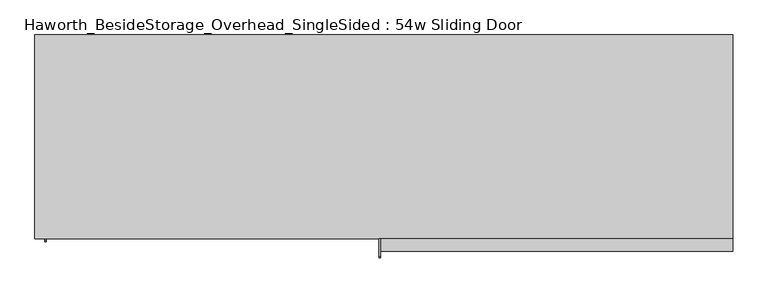
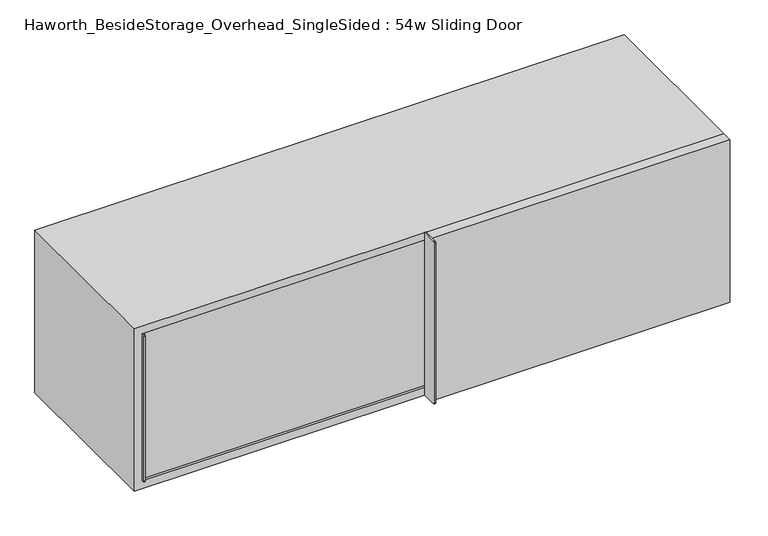
"""IFC4 building model written with IfcOpenShell, lengths in millimetres: furniture geometry, Haworth_BesideStorage_Overhead_SingleSided : 54w Sliding Door."""

from ifc_helpers import new_model, si_unit, point, frame, frame_2d, origin, place, context, project, spatial, polyline, circle_curve, trimmed, segment, composite_curve, outline, extrude, source, transform, mapped, element, save


def haworth_besidestorage_overhead_singlesided_54w_sliding_door_49f90b85(model_context):
    return source(origin(), model_context, "Body", "SweptSolid", [
        extrude(outline(composite_curve([segment(polyline([(-400.05, 1162.05), (-400.05, 762.0), (-434.975, 762.0)]), True, "CONTINUOUS"), segment(trimmed(circle_curve(frame_2d((-434.975, 765.175)), 3.175), [point((-434.975, 762.0))], [point((-438.15, 765.175))], False, "CARTESIAN"), True, "CONTINUOUS"), segment(polyline([(-438.15, 765.175), (-438.15, 1158.875)]), True, "CONTINUOUS"), segment(trimmed(circle_curve(frame_2d((-434.975, 1158.875)), 3.175), [point((-438.15, 1158.875))], [point((-434.975, 1162.05))], False, "CARTESIAN"), True, "CONTINUOUS"), segment(polyline([(-434.975, 1162.05), (-400.05, 1162.05)]), True, "CONTINUOUS")], self_intersect=False)), frame((155.575, 0.0, 0.0), z_axis=(1.0, 0.0, 0.0), x_axis=(0.0, 1.0, 0.0)), (0.0, 0.0, 1.0), 3.175),
        extrude(outline(polyline([(850.9, -400.05), (850.9, -425.45), (158.75, -425.45), (158.75, -400.05), (850.9, -400.05)])), frame((0.0, 0.0, 762.0), z_axis=(0.0, 0.0, 1.0), x_axis=(1.0, 0.0, 0.0)), (0.0, 0.0, 1.0), 400.05),
        extrude(outline(composite_curve([segment(polyline([(-368.3, 1143.0), (-368.3, 781.05), (-403.225, 781.05)]), True, "CONTINUOUS"), segment(trimmed(circle_curve(frame_2d((-403.225, 784.225)), 3.175), [point((-403.225, 781.05))], [point((-406.4, 784.225))], False, "CARTESIAN"), True, "CONTINUOUS"), segment(polyline([(-406.4, 784.225), (-406.4, 1139.825)]), True, "CONTINUOUS"), segment(trimmed(circle_curve(frame_2d((-403.225, 1139.825)), 3.175), [point((-406.4, 1139.825))], [point((-403.225, 1143.0))], False, "CARTESIAN"), True, "CONTINUOUS"), segment(polyline([(-403.225, 1143.0), (-368.3, 1143.0)]), True, "CONTINUOUS")], self_intersect=False)), frame((-501.65, 0.0, 0.0), z_axis=(1.0, 0.0, 0.0), x_axis=(0.0, 1.0, 0.0)), (0.0, 0.0, 1.0), 3.175),
        extrude(outline(polyline([(174.625, -368.3), (174.625, -393.7), (-498.475, -393.7), (-498.475, -368.3), (174.625, -368.3)])), frame((0.0, 0.0, 781.05), z_axis=(0.0, 0.0, 1.0), x_axis=(1.0, 0.0, 0.0)), (0.0, 0.0, 1.0), 361.95),
        extrude(outline(polyline([(174.625, -368.3), (155.575, -368.3), (155.575, -19.05), (174.625, -19.05), (174.625, -368.3)])), frame((0.0, 0.0, 781.05), z_axis=(0.0, 0.0, 1.0), x_axis=(1.0, 0.0, 0.0)), (0.0, 0.0, 1.0), 361.95),
        extrude(outline(polyline([(831.85, -19.05), (-501.65, -19.05), (-501.65, 0.0), (831.85, 0.0), (831.85, -19.05)])), frame((0.0, 0.0, 781.05), z_axis=(0.0, 0.0, 1.0), x_axis=(1.0, 0.0, 0.0)), (0.0, 0.0, 1.0), 361.95),
        extrude(outline(polyline([(762.0, 850.9), (1162.05, 850.9), (1162.05, -520.7), (762.0, -520.7), (762.0, 850.9)]), holes=[polyline([(1143.0, 831.85), (781.05, 831.85), (781.05, -501.65), (1143.0, -501.65), (1143.0, 831.85)])]), frame((0.0, -400.05, 0.0), z_axis=(0.0, 1.0, 0.0), x_axis=(0.0, 0.0, 1.0)), (0.0, 0.0, 1.0), 400.05),
    ])


if __name__ == "__main__":
    model = new_model("IFC4")
    model_context = context("Model", 3, world=origin())
    ifc_project = project(units=[si_unit("LENGTHUNIT", "METRE", prefix="MILLI")], contexts=[model_context])
    site = spatial("IfcSite", under=ifc_project)
    building = spatial("IfcBuilding", under=site)
    placement = place(None, origin())
    haworth_besidestorage_overhead_singlesided_54w_sliding_door_shape = haworth_besidestorage_overhead_singlesided_54w_sliding_door_49f90b85(model_context)
    element("IfcFurniture", 1, ObjectType="Haworth_BesideStorage_Overhead_SingleSided : 54w Sliding Door", at=placement, inside=building, context=model_context, shape_type="MappedRepresentation", body=[
        mapped(haworth_besidestorage_overhead_singlesided_54w_sliding_door_shape, transform((0.0, 0.0, 0.0), x_axis=(1.0, 0.0, 0.0), y_axis=(0.0, 1.0, 0.0), z_axis=(0.0, 0.0, 1.0))),
    ])
    save(model, "model.ifc")
